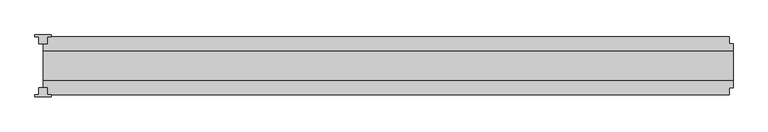
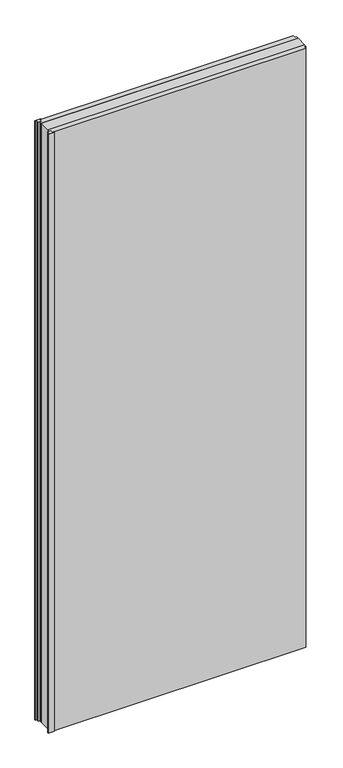
"""IFC4 building model written with IfcOpenShell, lengths in millimetres: plate geometry."""

from ifc_helpers import new_model, si_unit, origin, origin_with_axes, place, context, project, spatial, polyline, outline, extrude, source, transform, mapped, element, save


def plate_5aa2af37(model_context):
    return source(origin(), model_context, "Body", "SweptSolid", [
        extrude(outline(polyline([(-579.5, -53.0), (-607.5, -53.0), (-607.5, -50.0), (-600.5, -50.0), (-600.5, -37.5), (-586.5, -37.5), (-586.5, -50.0), (-579.5, -50.0), (-579.5, -53.0)])), origin_with_axes(), (0.0, 0.0, 1.0), 2930.0),
        extrude(outline(polyline([(-579.5, 53.0), (-579.5, 50.0), (-586.5, 50.0), (-586.5, 37.5), (-600.5, 37.5), (-600.5, 50.0), (-607.5, 50.0), (-607.5, 53.0), (-579.5, 53.0)])), origin_with_axes(), (0.0, 0.0, 1.0), 2930.0),
        extrude(outline(polyline([(593.5, 25.0), (593.5, -25.0), (-593.5, -25.0), (-593.5, 25.0), (593.5, 25.0)])), origin_with_axes(), (0.0, 0.0, 1.0), 2930.0),
        extrude(outline(polyline([(593.5, 25.0), (-593.5, 25.0), (-593.5, 37.5), (-586.5, 37.5), (-586.5, 50.0), (586.5, 50.0), (586.5, 37.5), (593.5, 37.5), (593.5, 25.0)])), origin_with_axes(), (0.0, 0.0, 1.0), 2930.0),
        extrude(outline(polyline([(-593.5, -25.0), (593.5, -25.0), (593.5, -37.5), (586.5, -37.5), (586.5, -50.0), (-586.5, -50.0), (-586.5, -37.5), (-593.5, -37.5), (-593.5, -25.0)])), origin_with_axes(), (0.0, 0.0, 1.0), 2930.0),
    ])


if __name__ == "__main__":
    model = new_model("IFC4")
    model_context = context("Model", 3, world=origin())
    ifc_project = project(units=[si_unit("LENGTHUNIT", "METRE", prefix="MILLI")], contexts=[model_context])
    site = spatial("IfcSite", under=ifc_project)
    building = spatial("IfcBuilding", under=site)
    placement = place(None, origin())
    plate_shape = plate_5aa2af37(model_context)
    element("IfcPlate", 1, at=placement, inside=building, context=model_context, shape_type="MappedRepresentation", body=[
        mapped(plate_shape, transform((0.0, 0.0, 0.0), x_axis=(1.0, 0.0, 0.0), y_axis=(0.0, 1.0, 0.0), z_axis=(0.0, 0.0, 1.0))),
    ])
    save(model, "model.ifc")
